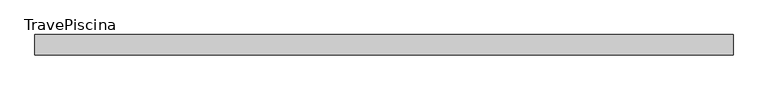
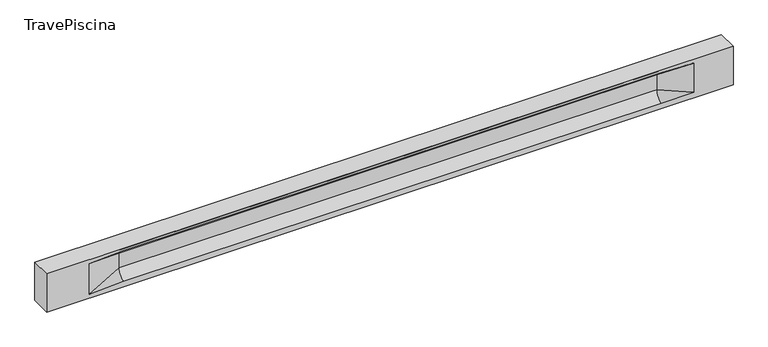
"""IFC4 building model written with IfcOpenShell, lengths in millimetres: beam geometry, TravePiscina."""

from ifc_helpers import new_model, si_unit, frame, origin, place, context, project, spatial, polyline, circle_curve, source, transform, mapped, element, save
from ifc_brep_helpers import plane_surface, revolved_surface, spline_surface, advanced_brep


def travepiscina_fd0cde15(model_context):
    return source(origin(), model_context, "Body", "AdvancedBrep", [
        advanced_brep(
        [(8495.0, -250.0, 500.0), (8495.0, -250.0, -500.0), (8495.0, 250.0, -500.0), (8495.0, 250.0, 500.0), (-8495.0, -250.0, 500.0), (-8495.0, -250.0, -500.0), (7520.0, -250.0, -362.0), (6720.0, -250.0, -360.0), (-6595.0, -250.0, -360.0), (-7445.0, -250.0, -400.0), (-7445.0, -250.0, 400.0), (-6595.0, -250.0, 435.0), (6720.0, -250.0, 435.0), (7520.0, -250.0, 400.0), (-8495.0, 250.0, -500.0), (-8495.0, 250.0, 500.0), (7520.0, 250.0, 400.0), (6720.0, 250.0, 435.0), (-6595.0, 250.0, 435.0), (-7445.0, 250.0, 400.0), (-7445.0, 250.0, -400.0), (-6595.0, 250.0, -360.0), (6720.0, 250.0, -360.0), (7520.0, 250.0, -362.0), (6720.0, 155.0, 405.0), (-6595.0, 155.0, 405.0), (-6595.0, -60.0, 262.777021), (6720.0, -60.0, 262.777021), (6720.0, -155.0, 405.0), (-6595.0, -155.0, 405.0), (-6595.0, 60.0, 262.777021), (6720.0, 60.0, 262.777021), (6720.0, 60.0, -120.0), (-6595.0, 60.0, -120.0), (-6595.0, -60.0, -120.0), (6720.0, -60.0, -120.0)],
        [
            (0, 1),
            (1, 2),
            (2, 3),
            (3, 0),
            (0, 4),
            (4, 5),
            (5, 1),
            (6, 7),
            (7, 8),
            (8, 9),
            (9, 10),
            (10, 11),
            (11, 12),
            (12, 13),
            (13, 6),
            (5, 14),
            (14, 2),
            (14, 15),
            (15, 3),
            (16, 17),
            (17, 18),
            (18, 19),
            (19, 20),
            (20, 21),
            (21, 22),
            (22, 23),
            (23, 16),
            (15, 4),
            (17, 24),
            (24, 25),
            (25, 18),
            (26, 27),
            (27, 28, circle_curve(frame((6720.0, -213.9598725, 262.777021), z_axis=(1.0, 0.0, 0.0), x_axis=(0.0, 1.0, 0.0)), 153.9598725)),
            (28, 29),
            (29, 26, circle_curve(frame((-6595.0, -213.9598725, 262.777021), z_axis=(-1.0, 0.0, 0.0), x_axis=(0.0, 1.0, 0.0)), 153.9598725)),
            (30, 31),
            (31, 32),
            (32, 33),
            (33, 30),
            (28, 12),
            (11, 29),
            (34, 35),
            (35, 27),
            (26, 34),
            (25, 19),
            (22, 32, circle_curve(frame((6720.0, 306.5789474, -120.0), z_axis=(-1.0, 0.0, 0.0), x_axis=(0.0, 1.0, 0.0)), 246.5789474)),
            (32, 23),
            (10, 29),
            (10, 26),
            (13, 28),
            (27, 13),
            (30, 19),
            (25, 30, circle_curve(frame((-6595.0, 213.9598725, 262.777021), z_axis=(1.0, 0.0, 0.0), x_axis=(0.0, 1.0, 0.0)), 153.9598725)),
            (9, 34),
            (8, 34, circle_curve(frame((-6595.0, -306.5789474, -120.0), z_axis=(1.0, 0.0, 0.0), x_axis=(0.0, 1.0, 0.0)), 246.5789474)),
            (20, 33),
            (33, 21, circle_curve(frame((-6595.0, 306.5789474, -120.0), z_axis=(1.0, 0.0, 0.0), x_axis=(0.0, 1.0, 0.0)), 246.5789474)),
            (35, 6),
            (35, 7, circle_curve(frame((6720.0, -306.5789474, -120.0), z_axis=(-1.0, 0.0, 0.0), x_axis=(0.0, 1.0, 0.0)), 246.5789474)),
            (31, 16),
            (31, 24, circle_curve(frame((6720.0, 213.9598725, 262.777021), z_axis=(-1.0, 0.0, 0.0), x_axis=(0.0, 1.0, 0.0)), 153.9598725)),
            (24, 16),
        ],
        [
            plane_surface(frame((8495.0, 0.0, 0.0), z_axis=(1.0, 0.0, 0.0), x_axis=(0.0, 0.0, 1.0))),
            plane_surface(frame((8495.0, -250.0, 500.0), z_axis=(0.0, -1.0, 0.0), x_axis=(-1.0, 0.0, 0.0))),
            plane_surface(frame((8495.0, -250.0, -500.0), z_axis=(0.0, 0.0, -1.0), x_axis=(-1.0, 0.0, 0.0))),
            plane_surface(frame((8495.0, 250.0, -500.0), z_axis=(0.0, 1.0, 0.0), x_axis=(-1.0, 0.0, 0.0))),
            plane_surface(frame((8495.0, 250.0, 500.0), z_axis=(0.0, 0.0, 1.0), x_axis=(-1.0, 0.0, 0.0))),
            plane_surface(frame((-6595.0, 250.0, 435.0), z_axis=(0.0, 0.30113136793710954, -0.9535826651341378), x_axis=(1.0, 0.0, 0.0))),
            plane_surface(frame((-8495.0, 0.0, 0.0), z_axis=(-1.0, 0.0, 0.0), x_axis=(0.0, 0.0, 1.0))),
            revolved_surface(polyline([(6720.0, -60.0, 262.777021), (-6595.0, -60.0, 262.777021)]), (-6595.0, -213.9598725, 262.777021), (1.0, 0.0, 0.0)),
            plane_surface(frame((-6595.0, 60.0, 262.777021), z_axis=(0.0, 1.0, 0.0), x_axis=(1.0, 0.0, 0.0))),
            plane_surface(frame((-6595.0, -155.0, 405.0), z_axis=(0.0, -0.30113136793710693, -0.9535826651341387), x_axis=(1.0, 0.0, 0.0))),
            plane_surface(frame((-6595.0, -60.0, -120.0), z_axis=(0.0, -1.0, 0.0), x_axis=(1.0, 0.0, 0.0))),
            plane_surface(frame((-7445.0, 250.0, 400.0), z_axis=(0.03923493491469444, 0.30089950084952793, -0.9528484193567961), x_axis=(0.0, 0.9535826651341378, 0.30113136793710954))),
            spline_surface(2, 1, [[(6720.0, 250.0, -360.0), (7520.0, 250.0, -362.0)], [(6720.0, 60.00000002887427, -315.20833329480604), (7520.0, 250.0, -362.0)], [(6720.0, 60.0, -120.0), (7520.0, 250.0, -362.0)]], [3, 3], [2, 2], [0.0, 1.0], [0.0, 1.0], weights=[[1.0, 1.0], [0.7840458245391329, 0.7840458245391329], [1.0, 1.0]]),
            plane_surface(frame((-7445.0, -250.0, 400.0), z_axis=(0.03923493491469448, -0.3008995008495253, -0.952848419356797), x_axis=(0.0, 0.9535826651341387, -0.30113136793710693))),
            spline_surface(2, 1, [[(-7445.0, -250.0, 400.0), (-6595.0, -155.0, 405.0)], [(-7445.0, -250.0, 400.0), (-6595.0, -60.00000008030692, 365.6168572114734)], [(-7445.0, -250.0, 400.0), (-6595.0, -60.0, 262.777021)]], [3, 3], [2, 2], [0.0, 1.0], [0.0, 1.0], weights=[[1.0, 1.0], [0.8315515924557569, 0.8315515924557569], [1.0, 1.0]]),
            spline_surface(2, 1, [[(6720.0, -155.0, 405.0), (7520.0, -250.0, 400.0)], [(6720.0, -60.00000008030692, 365.6168572114734), (7520.0, -250.0, 400.0)], [(6720.0, -60.0, 262.777021), (7520.0, -250.0, 400.0)]], [3, 3], [2, 2], [0.0, 1.0], [0.0, 1.0], weights=[[1.0, 1.0], [0.8315515924557569, 0.8315515924557569], [1.0, 1.0]]),
            plane_surface(frame((6720.0, -202.5, 420.0), z_axis=(-0.04168298285568746, -0.30086965068766125, -0.9527538938442274), x_axis=(0.0, 0.9535826651341387, -0.30113136793710693))),
            spline_surface(2, 1, [[(-7445.0, 250.0, 400.0), (-6595.0, 60.0, 262.777021)], [(-7445.0, 250.0, 400.0), (-6595.0, 59.99999995452379, 365.6168572954922)], [(-7445.0, 250.0, 400.0), (-6595.0, 155.0, 405.0)]], [3, 3], [2, 2], [0.0, 1.0], [0.0, 1.0], weights=[[1.0, 1.0], [0.8315515921160737, 0.8315515921160737], [1.0, 1.0]]),
            plane_surface(frame((-7445.0, -250.0, 0.0), z_axis=(0.21814596370705283, -0.975916153426267, 0.0), x_axis=(0.0, 0.0, -1.0))),
            spline_surface(2, 1, [[(-7445.0, -250.0, -400.0), (-6595.0, -60.0, -120.0)], [(-7445.0, -250.0, -400.0), (-6595.0, -59.99999998020837, -315.20833333333337)], [(-7445.0, -250.0, -400.0), (-6595.0, -250.0, -360.0)]], [3, 3], [2, 2], [0.0, 1.0], [0.0, 1.0], weights=[[1.0, 1.0], [0.7840458244617614, 0.7840458244617614], [1.0, 1.0]]),
            spline_surface(2, 1, [[(-7445.0, 250.0, -400.0), (-6595.0, 250.0, -360.0)], [(-7445.0, 250.0, -400.0), (-6595.0, 60.00000002887427, -315.20833329480604)], [(-7445.0, 250.0, -400.0), (-6595.0, 60.0, -120.0)]], [3, 3], [2, 2], [0.0, 1.0], [0.0, 1.0], weights=[[1.0, 1.0], [0.7840458245391329, 0.7840458245391329], [1.0, 1.0]]),
            plane_surface(frame((-7445.0, 250.0, 0.0), z_axis=(0.21814596370704872, 0.975916153426268, 0.0), x_axis=(0.0, 0.0, 1.0))),
            plane_surface(frame((6720.0, -60.0, 71.3885105), z_axis=(-0.23107243079589737, -0.9729365507195602, 0.0), x_axis=(0.0, 0.0, -1.0))),
            spline_surface(2, 1, [[(6720.0, -60.0, -120.0), (7520.0, -250.0, -362.0)], [(6720.0, -59.99999998020837, -315.20833333333337), (7520.0, -250.0, -362.0)], [(6720.0, -250.0, -360.0), (7520.0, -250.0, -362.0)]], [3, 3], [2, 2], [0.0, 1.0], [0.0, 1.0], weights=[[1.0, 1.0], [0.7840458244617614, 0.7840458244617614], [1.0, 1.0]]),
            plane_surface(frame((6720.0, 60.0, 71.3885105), z_axis=(-0.23107243079589093, 0.9729365507195618, 0.0), x_axis=(0.0, 0.0, 1.0))),
            spline_surface(2, 1, [[(6720.0, 60.0, 262.777021), (7520.0, 250.0, 400.0)], [(6720.0, 59.99999995452379, 365.6168572954922), (7520.0, 250.0, 400.0)], [(6720.0, 155.0, 405.0), (7520.0, 250.0, 400.0)]], [3, 3], [2, 2], [0.0, 1.0], [0.0, 1.0], weights=[[1.0, 1.0], [0.8315515921160737, 0.8315515921160737], [1.0, 1.0]]),
            plane_surface(frame((6720.0, 202.5, 420.0), z_axis=(-0.04168298285568672, 0.30086965068766386, -0.9527538938442265), x_axis=(0.0, 0.9535826651341378, 0.30113136793710954))),
            revolved_surface(polyline([(6720.0, 367.919745, 262.777021), (-6595.0, 367.919745, 262.777021)]), (-6595.0, 213.9598725, 262.777021), (1.0, 0.0, 0.0)),
            revolved_surface(polyline([(6720.0, 553.1578948, -120.0), (-6595.0, 553.1578948, -120.0)]), (-6595.0, 306.5789474, -120.0), (1.0, 0.0, 0.0)),
            revolved_surface(polyline([(6720.0, -60.0, -120.0), (-6595.0, -60.0, -120.0)]), (-6595.0, -306.5789474, -120.0), (1.0, 0.0, 0.0)),
        ],
        [
            (0, [[1, 2, 3, 4]]),
            (1, [[-1, 5, 6, 7], [8, 9, 10, 11, 12, 13, 14, 15]]),
            (2, [[-2, -7, 16, 17]]),
            (3, [[-3, -17, 18, 19], [20, 21, 22, 23, 24, 25, 26, 27]]),
            (4, [[-5, -4, -19, 28]]),
            (5, [[-21, 29, 30, 31]]),
            (6, [[-28, -18, -16, -6]]),
            (7, [[32, 33, 34, 35]]),
            (8, [[36, 37, 38, 39]]),
            (9, [[-34, 40, -13, 41]]),
            (10, [[42, 43, -32, 44]]),
            (11, [[45, -22, -31]]),
            (12, [[-26, 46, 47]]),
            (13, [[-12, 48, -41]]),
            (14, [[-48, 49, -35]]),
            (15, [[50, -33, 51]]),
            (16, [[-14, -40, -50]]),
            (17, [[52, -45, 53]]),
            (18, [[-49, -11, 54, -44]]),
            (19, [[-54, -10, 55]]),
            (20, [[-24, 56, 57]]),
            (21, [[-52, -39, -56, -23]]),
            (22, [[-51, -43, 58, -15]]),
            (23, [[-58, 59, -8]]),
            (24, [[-47, -37, 60, -27]]),
            (25, [[-60, 61, 62]]),
            (26, [[-62, -29, -20]]),
            (27, [[-30, -61, -36, -53]]),
            (28, [[-38, -46, -25, -57]]),
            (29, [[-9, -59, -42, -55]]),
        ],
    ),
    ])


if __name__ == "__main__":
    model = new_model("IFC4")
    model_context = context("Model", 3, world=origin())
    ifc_project = project(units=[si_unit("LENGTHUNIT", "METRE", prefix="MILLI")], contexts=[model_context])
    site = spatial("IfcSite", under=ifc_project)
    building = spatial("IfcBuilding", under=site)
    placement = place(None, origin())
    travepiscina_shape = travepiscina_fd0cde15(model_context)
    element("IfcBeam", 1, ObjectType="TravePiscina", at=placement, inside=building, context=model_context, shape_type="MappedRepresentation", body=[
        mapped(travepiscina_shape, transform((0.0, 0.0, 0.0), x_axis=(1.0, 0.0, 0.0), y_axis=(0.0, 1.0, 0.0), z_axis=(0.0, 0.0, 1.0))),
    ])
    save(model, "model.ifc")
